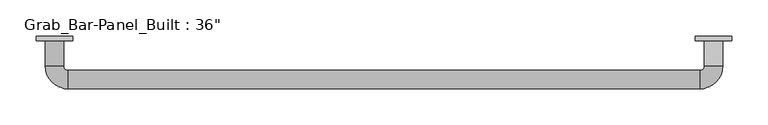
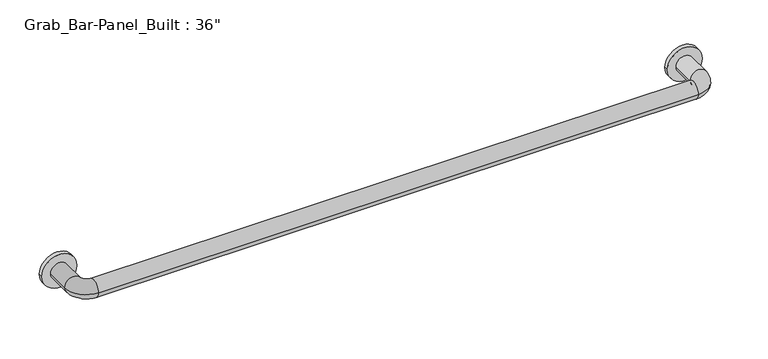
"""IFC4 building model written with IfcOpenShell, lengths in millimetres: proxy geometry."""

from ifc_helpers import new_model, si_unit, point, frame, origin, place, context, project, spatial, circle_curve, ellipse_curve, trimmed, source, transform, mapped, element, save
from ifc_brep_helpers import plane_surface, cylinder_surface, revolved_surface, advanced_brep


def proxy_754a4c2b(model_context):
    return source(origin(), model_context, "Body", "AdvancedBrep", [
        advanced_brep(
        [(-482.6, -6.35, 0.0), (-431.8, -6.35, 0.0), (-469.9, -6.35, 0.0), (-444.5, -6.35, 0.0), (431.8, -6.35, 0.0), (482.6, -6.35, 0.0), (444.5, -6.35, 0.0), (469.9, -6.35, 0.0), (-482.6, 0.0, 0.0), (-431.8, 0.0, 0.0), (431.8, 0.0, 0.0), (482.6, 0.0, 0.0), (-469.9, -41.275, 0.0), (-444.5, -41.275, 0.0), (-438.15, -47.625, 0.0), (-438.15, -73.025, 0.0), (438.15, -73.025, 0.0), (438.15, -47.625, 0.0), (444.5, -41.275, 0.0), (469.9, -41.275, 0.0)],
        [
            (0, 1, circle_curve(frame((-457.2, -6.35, 0.0), z_axis=(0.0, -1.0, 0.0), x_axis=(1.0, 0.0, 0.0)), 25.4)),
            (1, 0, circle_curve(frame((-457.2, -6.35, 0.0), z_axis=(0.0, -1.0, 0.0), x_axis=(1.0, 0.0, 0.0)), 25.4)),
            (2, 3, circle_curve(frame((-457.2, -6.35, 0.0), z_axis=(0.0, 1.0, 0.0), x_axis=(1.0, 0.0, 0.0)), 12.7)),
            (3, 2, circle_curve(frame((-457.2, -6.35, 0.0), z_axis=(0.0, 1.0, 0.0), x_axis=(1.0, 0.0, 0.0)), 12.7)),
            (4, 5, circle_curve(frame((457.2, -6.35, 0.0), z_axis=(0.0, -1.0, 0.0), x_axis=(1.0, 0.0, 0.0)), 25.4)),
            (5, 4, circle_curve(frame((457.2, -6.35, 0.0), z_axis=(0.0, -1.0, 0.0), x_axis=(1.0, 0.0, 0.0)), 25.4)),
            (6, 7, circle_curve(frame((457.2, -6.35, 0.0), z_axis=(0.0, 1.0, 0.0), x_axis=(-1.0, 0.0, 0.0)), 12.7)),
            (7, 6, circle_curve(frame((457.2, -6.35, 0.0), z_axis=(0.0, 1.0, 0.0), x_axis=(-1.0, 0.0, 0.0)), 12.7)),
            (8, 9, circle_curve(frame((-457.2, 0.0, 0.0), z_axis=(0.0, 1.0, 0.0), x_axis=(1.0, 0.0, 0.0)), 25.4)),
            (9, 8, circle_curve(frame((-457.2, 0.0, 0.0), z_axis=(0.0, 1.0, 0.0), x_axis=(1.0, 0.0, 0.0)), 25.4)),
            (10, 11, circle_curve(frame((457.2, 0.0, 0.0), z_axis=(0.0, 1.0, 0.0), x_axis=(1.0, 0.0, 0.0)), 25.4)),
            (11, 10, circle_curve(frame((457.2, 0.0, 0.0), z_axis=(0.0, 1.0, 0.0), x_axis=(1.0, 0.0, 0.0)), 25.4)),
            (0, 8),
            (9, 1),
            (4, 10),
            (11, 5),
            (12, 13, circle_curve(frame((-457.2, -41.275, 0.0), z_axis=(0.0, 1.0, 0.0), x_axis=(1.0, 0.0, 0.0)), 12.7)),
            (13, 3),
            (2, 12),
            (13, 12, circle_curve(frame((-457.2, -41.275, 0.0), z_axis=(0.0, 1.0, 0.0), x_axis=(1.0, 0.0, 0.0)), 12.7)),
            (14, 15, circle_curve(frame((-438.15, -60.325, 0.0), z_axis=(1.0, 0.0, 0.0), x_axis=(0.0, 1.0, 0.0)), 12.7)),
            (15, 16),
            (16, 17, circle_curve(frame((438.15, -60.325, 0.0), z_axis=(-1.0, 0.0, 0.0), x_axis=(0.0, 1.0, 0.0)), 12.7)),
            (17, 14),
            (15, 14, circle_curve(frame((-438.15, -60.325, 0.0), z_axis=(1.0, 0.0, 0.0), x_axis=(0.0, 1.0, 0.0)), 12.7)),
            (17, 16, circle_curve(frame((438.15, -60.325, 0.0), z_axis=(-1.0, 0.0, 0.0), x_axis=(0.0, 1.0, 0.0)), 12.7)),
            (18, 19, circle_curve(frame((457.2, -41.275, 0.0), z_axis=(0.0, 1.0, 0.0), x_axis=(-1.0, 0.0, 0.0)), 12.7)),
            (19, 7),
            (6, 18),
            (19, 18, circle_curve(frame((457.2, -41.275, 0.0), z_axis=(0.0, 1.0, 0.0), x_axis=(-1.0, 0.0, 0.0)), 12.7)),
            (12, 15, circle_curve(frame((-438.15, -41.275, 0.0), z_axis=(0.0, 0.0, 1.0), x_axis=(-1.0, 0.0, 0.0)), 31.75)),
            (14, 13, circle_curve(frame((-438.15, -41.275, 0.0), z_axis=(0.0, 0.0, -1.0), x_axis=(-1.0, 0.0, 0.0)), 6.35)),
            (16, 19, circle_curve(frame((438.15, -41.275, 0.0), z_axis=(0.0, 0.0, 1.0), x_axis=(0.0, -1.0, 0.0)), 31.75)),
            (18, 17, circle_curve(frame((438.15, -41.275, 0.0), z_axis=(0.0, 0.0, -1.0), x_axis=(0.0, -1.0, 0.0)), 6.35)),
        ],
        [
            plane_surface(frame((-431.8, -6.35, 0.0), z_axis=(0.0, -1.0, 0.0), x_axis=(0.0, 0.0, 1.0))),
            plane_surface(frame((-431.8, 0.0, 0.0), z_axis=(0.0, 1.0, 0.0), x_axis=(0.0, 0.0, -1.0))),
            cylinder_surface(frame((-457.2, 0.0, 0.0), z_axis=(0.0, -1.0, 0.0), x_axis=(1.0, 0.0, 0.0)), 25.4),
            cylinder_surface(frame((457.2, 0.0, 0.0), z_axis=(0.0, -1.0, 0.0), x_axis=(1.0, 0.0, 0.0)), 25.4),
            cylinder_surface(frame((-457.2, 0.0, 0.0), z_axis=(0.0, 1.0, 0.0), x_axis=(1.0, 0.0, 0.0)), 12.7),
            cylinder_surface(frame((-438.15, -60.325, 0.0), z_axis=(-1.0, 0.0, 0.0), x_axis=(0.0, 1.0, 0.0)), 12.7),
            cylinder_surface(frame((457.2, -41.275, 0.0), z_axis=(0.0, -1.0, 0.0), x_axis=(-1.0, 0.0, 0.0)), 12.7),
            revolved_surface(trimmed(ellipse_curve(frame((-457.2, -41.275, 0.0), z_axis=(0.0, 1.0, 0.0), x_axis=(1.0, 0.0, 0.0)), 12.7, 12.7), [point((-469.9, -41.275, 0.0))], [point((-444.5, -41.275, 0.0))], True, "CARTESIAN"), (-438.15, -41.275, 0.0), (0.0, 0.0, 1.0)),
            revolved_surface(trimmed(ellipse_curve(frame((-457.2, -41.275, 0.0), z_axis=(0.0, 1.0, 0.0), x_axis=(1.0, 0.0, 0.0)), 12.7, 12.7), [point((-444.5, -41.275, 0.0))], [point((-469.9, -41.275, 0.0))], True, "CARTESIAN"), (-438.15, -41.275, 0.0), (0.0, 0.0, 1.0)),
            revolved_surface(trimmed(ellipse_curve(frame((438.15, -60.325, 0.0), z_axis=(-1.0, 0.0, 0.0), x_axis=(0.0, 1.0, 0.0)), 12.7, 12.7), [point((438.15, -73.025, 0.0))], [point((438.15, -47.625, 0.0))], True, "CARTESIAN"), (438.15, -41.275, 0.0), (0.0, 0.0, 1.0)),
            revolved_surface(trimmed(ellipse_curve(frame((438.15, -60.325, 0.0), z_axis=(-1.0, 0.0, 0.0), x_axis=(0.0, 1.0, 0.0)), 12.7, 12.7), [point((438.15, -47.625, 0.0))], [point((438.15, -73.025, 0.0))], True, "CARTESIAN"), (438.15, -41.275, 0.0), (0.0, 0.0, 1.0)),
        ],
        [
            (0, [[1, 2], [3, 4]]),
            (0, [[5, 6], [7, 8]]),
            (1, [[9, 10]]),
            (1, [[11, 12]]),
            (2, [[-1, 13, -10, 14]]),
            (2, [[-2, -14, -9, -13]]),
            (3, [[-5, 15, -12, 16]]),
            (3, [[-6, -16, -11, -15]]),
            (4, [[17, 18, -3, 19]]),
            (4, [[20, -19, -4, -18]]),
            (5, [[21, 22, 23, 24]]),
            (5, [[-22, 25, -24, 26]]),
            (6, [[27, 28, -7, 29]]),
            (6, [[30, -29, -8, -28]]),
            (7, [[-17, 31, -21, 32]]),
            (8, [[-20, -32, -25, -31]]),
            (9, [[-23, 33, -27, 34]]),
            (10, [[-26, -34, -30, -33]]),
        ],
    ),
    ])


if __name__ == "__main__":
    model = new_model("IFC4")
    model_context = context("Model", 3, world=origin())
    ifc_project = project(units=[si_unit("LENGTHUNIT", "METRE", prefix="MILLI")], contexts=[model_context])
    site = spatial("IfcSite", under=ifc_project)
    building = spatial("IfcBuilding", under=site)
    placement = place(None, origin())
    proxy_shape = proxy_754a4c2b(model_context)
    element("IfcBuildingElementProxy", 1, Name="Grab_Bar-Panel_Built : 36\"", ObjectType="Grab_Bar-Panel_Built : 36\"", at=placement, inside=building, context=model_context, shape_type="MappedRepresentation", body=[
        mapped(proxy_shape, transform((0.0, 0.0, 0.0), x_axis=(1.0, 0.0, 0.0), y_axis=(0.0, 1.0, 0.0), z_axis=(0.0, 0.0, 1.0))),
    ])
    save(model, "model.ifc")
